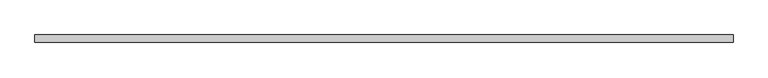
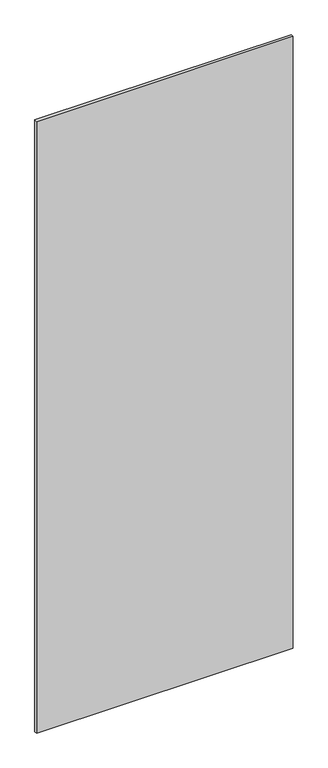
"""IFC4 building model written with IfcOpenShell, lengths in millimetres: plate geometry."""

from ifc_helpers import new_model, si_unit, origin, origin_with_axes, place, context, project, spatial, polyline, outline, extrude, source, transform, mapped, element, save


def plate_503396ba(model_context):
    return source(origin(), model_context, "Body", "SweptSolid", [
        extrude(outline(polyline([(588.9625, -26.9875), (-588.9625, -26.9875), (-588.9625, -14.2875), (588.9625, -14.2875), (588.9625, -26.9875)])), origin_with_axes(), (0.0, 0.0, 1.0), 2965.45),
    ])


if __name__ == "__main__":
    model = new_model("IFC4")
    model_context = context("Model", 3, world=origin())
    ifc_project = project(units=[si_unit("LENGTHUNIT", "METRE", prefix="MILLI")], contexts=[model_context])
    site = spatial("IfcSite", under=ifc_project)
    building = spatial("IfcBuilding", under=site)
    placement = place(None, origin())
    plate_shape = plate_503396ba(model_context)
    element("IfcPlate", 1, at=placement, inside=building, context=model_context, shape_type="MappedRepresentation", body=[
        mapped(plate_shape, transform((0.0, 0.0, 0.0), x_axis=(1.0, 0.0, 0.0), y_axis=(0.0, 1.0, 0.0), z_axis=(0.0, 0.0, 1.0))),
    ])
    save(model, "model.ifc")
